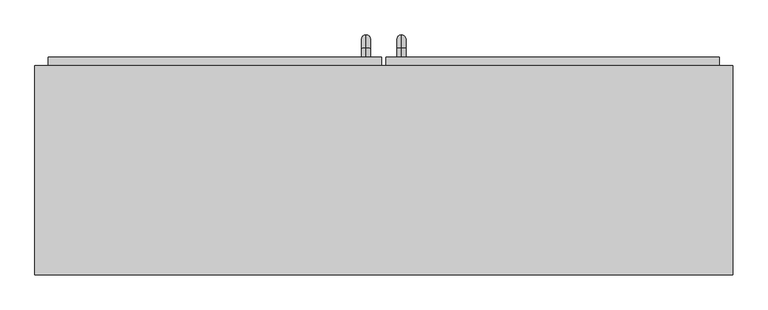
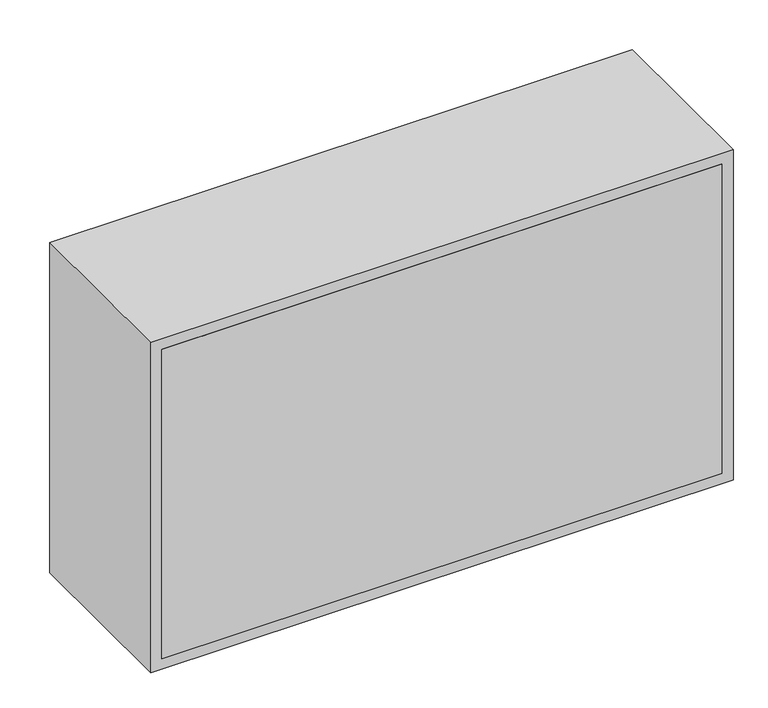
"""IFC4 building model written with IfcOpenShell, lengths in millimetres: furniture geometry."""

from ifc_helpers import new_model, si_unit, point, frame, origin, place, context, project, spatial, polyline, circle_curve, ellipse_curve, trimmed, outline, extrude, source, transform, mapped, element, save
from ifc_brep_helpers import plane_surface, cylinder_surface, revolved_surface, advanced_brep


def furniture_34211367(model_context):
    return source(origin(), model_context, "Body", "SolidModel", [
        advanced_brep(
        [(55.1711628, 385.2, 1546.05), (55.1711628, 385.2, 1558.75), (55.1711628, 397.9, 1546.05), (55.1711628, 397.9, 1558.75), (55.1711628, 416.95, 1539.7), (55.1711628, 404.25, 1539.7), (55.1711628, 404.25, 1463.5), (55.1711628, 416.95, 1463.5), (55.1711628, 397.9, 1444.45), (55.1711628, 397.9, 1457.15), (55.1711628, 385.2, 1457.15), (55.1711628, 385.2, 1444.45)],
        [
            (0, 1, circle_curve(frame((55.1711628, 385.2, 1552.4), z_axis=(0.0, -1.0, 0.0), x_axis=(0.0, 0.0, -1.0)), 6.35)),
            (1, 0, circle_curve(frame((55.1711628, 385.2, 1552.4), z_axis=(0.0, -1.0, 0.0), x_axis=(0.0, 0.0, -1.0)), 6.35)),
            (0, 2),
            (2, 3, circle_curve(frame((55.1711628, 397.9, 1552.4), z_axis=(0.0, -1.0, 0.0), x_axis=(0.0, 0.0, -1.0)), 6.35)),
            (3, 1),
            (3, 2, circle_curve(frame((55.1711628, 397.9, 1552.4), z_axis=(0.0, -1.0, 0.0), x_axis=(0.0, 0.0, -1.0)), 6.35)),
            (4, 3, circle_curve(frame((55.1711628, 397.9, 1539.7), z_axis=(1.0, 0.0, 0.0), x_axis=(0.0, 0.0, 1.0)), 19.05)),
            (2, 5, circle_curve(frame((55.1711628, 397.9, 1539.7), z_axis=(-1.0, 0.0, 0.0), x_axis=(0.0, 0.0, 1.0)), 6.35)),
            (5, 4, circle_curve(frame((55.1711628, 410.6, 1539.7), z_axis=(0.0, 0.0, 1.0), x_axis=(0.0, -1.0, 0.0)), 6.35)),
            (4, 5, circle_curve(frame((55.1711628, 410.6, 1539.7), z_axis=(0.0, 0.0, 1.0), x_axis=(0.0, -1.0, 0.0)), 6.35)),
            (5, 6),
            (6, 7, circle_curve(frame((55.1711628, 410.6, 1463.5), z_axis=(0.0, 0.0, 1.0), x_axis=(0.0, -1.0, 0.0)), 6.35)),
            (7, 4),
            (7, 6, circle_curve(frame((55.1711628, 410.6, 1463.5), z_axis=(0.0, 0.0, 1.0), x_axis=(0.0, -1.0, 0.0)), 6.35)),
            (8, 7, circle_curve(frame((55.1711628, 397.9, 1463.5), z_axis=(1.0, 0.0, 0.0), x_axis=(0.0, 1.0, 0.0)), 19.05)),
            (6, 9, circle_curve(frame((55.1711628, 397.9, 1463.5), z_axis=(-1.0, 0.0, 0.0), x_axis=(0.0, 1.0, 0.0)), 6.35)),
            (9, 8, circle_curve(frame((55.1711628, 397.9, 1450.8), z_axis=(0.0, 1.0, 0.0), x_axis=(0.0, 0.0, 1.0)), 6.35)),
            (8, 9, circle_curve(frame((55.1711628, 397.9, 1450.8), z_axis=(0.0, 1.0, 0.0), x_axis=(0.0, 0.0, 1.0)), 6.35)),
            (10, 11, circle_curve(frame((55.1711628, 385.2, 1450.8), z_axis=(0.0, -1.0, 0.0), x_axis=(0.0, 0.0, 1.0)), 6.35)),
            (11, 10, circle_curve(frame((55.1711628, 385.2, 1450.8), z_axis=(0.0, -1.0, 0.0), x_axis=(0.0, 0.0, 1.0)), 6.35)),
            (9, 10),
            (11, 8),
        ],
        [
            plane_surface(frame((48.8211628, 385.2, 1552.4), z_axis=(0.0, -1.0, 0.0), x_axis=(0.0, 0.0, 1.0))),
            cylinder_surface(frame((55.1711628, 385.2, 1552.4), z_axis=(0.0, -1.0, 0.0), x_axis=(0.0, 0.0, -1.0)), 6.35),
            revolved_surface(trimmed(ellipse_curve(frame((55.1711628, 397.9, 1552.4), z_axis=(0.0, -1.0, 0.0), x_axis=(0.0, 0.0, -1.0)), 6.35, 6.35), [point((55.1711628, 397.9, 1546.05))], [point((55.1711628, 397.9, 1558.75))], True, "CARTESIAN"), (55.1711628, 397.9, 1539.7), (-1.0, 0.0, 0.0)),
            revolved_surface(trimmed(ellipse_curve(frame((55.1711628, 397.9, 1552.4), z_axis=(0.0, -1.0, 0.0), x_axis=(0.0, 0.0, -1.0)), 6.35, 6.35), [point((55.1711628, 397.9, 1558.75))], [point((55.1711628, 397.9, 1546.05))], True, "CARTESIAN"), (55.1711628, 397.9, 1539.7), (-1.0, 0.0, 0.0)),
            cylinder_surface(frame((55.1711628, 410.6, 1539.7), z_axis=(0.0, 0.0, 1.0), x_axis=(0.0, -1.0, 0.0)), 6.35),
            revolved_surface(trimmed(ellipse_curve(frame((55.1711628, 410.6, 1463.5), z_axis=(0.0, 0.0, 1.0), x_axis=(0.0, -1.0, 0.0)), 6.35, 6.35), [point((55.1711628, 404.25, 1463.5))], [point((55.1711628, 416.95, 1463.5))], True, "CARTESIAN"), (55.1711628, 397.9, 1463.5), (-1.0, 0.0, 0.0)),
            revolved_surface(trimmed(ellipse_curve(frame((55.1711628, 410.6, 1463.5), z_axis=(0.0, 0.0, 1.0), x_axis=(0.0, -1.0, 0.0)), 6.35, 6.35), [point((55.1711628, 416.95, 1463.5))], [point((55.1711628, 404.25, 1463.5))], True, "CARTESIAN"), (55.1711628, 397.9, 1463.5), (-1.0, 0.0, 0.0)),
            plane_surface(frame((48.8211628, 385.2, 1450.8), z_axis=(0.0, -1.0, 0.0), x_axis=(0.0, 0.0, -1.0))),
            cylinder_surface(frame((55.1711628, 397.9, 1450.8), z_axis=(0.0, 1.0, 0.0), x_axis=(0.0, 0.0, 1.0)), 6.35),
        ],
        [
            (0, [[1, 2]]),
            (1, [[-1, 3, 4, 5]]),
            (1, [[-2, -5, 6, -3]]),
            (2, [[7, -4, 8, 9]]),
            (3, [[-8, -6, -7, 10]]),
            (4, [[-9, 11, 12, 13]]),
            (4, [[-10, -13, 14, -11]]),
            (5, [[15, -12, 16, 17]]),
            (6, [[-16, -14, -15, 18]]),
            (7, [[19, 20]]),
            (8, [[-17, 21, -20, 22]]),
            (8, [[-18, -22, -19, -21]]),
        ],
    ),
        advanced_brep(
        [(4.3711628, 385.2, 1546.05), (4.3711628, 385.2, 1558.75), (4.3711628, 397.9, 1546.05), (4.3711628, 397.9, 1558.75), (4.3711628, 416.95, 1539.7), (4.3711628, 404.25, 1539.7), (4.3711628, 404.25, 1463.5), (4.3711628, 416.95, 1463.5), (4.3711628, 397.9, 1444.45), (4.3711628, 397.9, 1457.15), (4.3711628, 385.2, 1457.15), (4.3711628, 385.2, 1444.45)],
        [
            (0, 1, circle_curve(frame((4.3711628, 385.2, 1552.4), z_axis=(0.0, -1.0, 0.0), x_axis=(0.0, 0.0, 1.0)), 6.35)),
            (1, 0, circle_curve(frame((4.3711628, 385.2, 1552.4), z_axis=(0.0, -1.0, 0.0), x_axis=(0.0, 0.0, 1.0)), 6.35)),
            (0, 2),
            (2, 3, circle_curve(frame((4.3711628, 397.9, 1552.4), z_axis=(0.0, -1.0, 0.0), x_axis=(0.0, 0.0, 1.0)), 6.35)),
            (3, 1),
            (3, 2, circle_curve(frame((4.3711628, 397.9, 1552.4), z_axis=(0.0, -1.0, 0.0), x_axis=(0.0, 0.0, 1.0)), 6.35)),
            (4, 3, circle_curve(frame((4.3711628, 397.9, 1539.7), z_axis=(1.0, 0.0, 0.0), x_axis=(0.0, 0.0, 1.0)), 19.05)),
            (2, 5, circle_curve(frame((4.3711628, 397.9, 1539.7), z_axis=(-1.0, 0.0, 0.0), x_axis=(0.0, 0.0, 1.0)), 6.35)),
            (5, 4, circle_curve(frame((4.3711628, 410.6, 1539.7), z_axis=(0.0, 0.0, 1.0), x_axis=(0.0, 1.0, 0.0)), 6.35)),
            (4, 5, circle_curve(frame((4.3711628, 410.6, 1539.7), z_axis=(0.0, 0.0, 1.0), x_axis=(0.0, 1.0, 0.0)), 6.35)),
            (5, 6),
            (6, 7, circle_curve(frame((4.3711628, 410.6, 1463.5), z_axis=(0.0, 0.0, 1.0), x_axis=(0.0, 1.0, 0.0)), 6.35)),
            (7, 4),
            (7, 6, circle_curve(frame((4.3711628, 410.6, 1463.5), z_axis=(0.0, 0.0, 1.0), x_axis=(0.0, 1.0, 0.0)), 6.35)),
            (8, 7, circle_curve(frame((4.3711628, 397.9, 1463.5), z_axis=(1.0, 0.0, 0.0), x_axis=(0.0, 1.0, 0.0)), 19.05)),
            (6, 9, circle_curve(frame((4.3711628, 397.9, 1463.5), z_axis=(-1.0, 0.0, 0.0), x_axis=(0.0, 1.0, 0.0)), 6.35)),
            (9, 8, circle_curve(frame((4.3711628, 397.9, 1450.8), z_axis=(0.0, 1.0, 0.0), x_axis=(0.0, 0.0, -1.0)), 6.35)),
            (8, 9, circle_curve(frame((4.3711628, 397.9, 1450.8), z_axis=(0.0, 1.0, 0.0), x_axis=(0.0, 0.0, -1.0)), 6.35)),
            (10, 11, circle_curve(frame((4.3711628, 385.2, 1450.8), z_axis=(0.0, -1.0, 0.0), x_axis=(0.0, 0.0, -1.0)), 6.35)),
            (11, 10, circle_curve(frame((4.3711628, 385.2, 1450.8), z_axis=(0.0, -1.0, 0.0), x_axis=(0.0, 0.0, -1.0)), 6.35)),
            (9, 10),
            (11, 8),
        ],
        [
            plane_surface(frame((-1.9788372, 385.2, 1552.4), z_axis=(0.0, -1.0, 0.0), x_axis=(0.0, 0.0, 1.0))),
            cylinder_surface(frame((4.3711628, 385.2, 1552.4), z_axis=(0.0, -1.0, 0.0), x_axis=(0.0, 0.0, 1.0)), 6.35),
            revolved_surface(trimmed(ellipse_curve(frame((4.3711628, 397.9, 1552.4), z_axis=(0.0, -1.0, 0.0), x_axis=(0.0, 0.0, 1.0)), 6.35, 6.35), [point((4.3711628, 397.9, 1546.05))], [point((4.3711628, 397.9, 1558.75))], True, "CARTESIAN"), (4.3711628, 397.9, 1539.7), (-1.0, 0.0, 0.0)),
            revolved_surface(trimmed(ellipse_curve(frame((4.3711628, 397.9, 1552.4), z_axis=(0.0, -1.0, 0.0), x_axis=(0.0, 0.0, 1.0)), 6.35, 6.35), [point((4.3711628, 397.9, 1558.75))], [point((4.3711628, 397.9, 1546.05))], True, "CARTESIAN"), (4.3711628, 397.9, 1539.7), (-1.0, 0.0, 0.0)),
            cylinder_surface(frame((4.3711628, 410.6, 1539.7), z_axis=(0.0, 0.0, 1.0), x_axis=(0.0, 1.0, 0.0)), 6.35),
            revolved_surface(trimmed(ellipse_curve(frame((4.3711628, 410.6, 1463.5), z_axis=(0.0, 0.0, 1.0), x_axis=(0.0, 1.0, 0.0)), 6.35, 6.35), [point((4.3711628, 404.25, 1463.5))], [point((4.3711628, 416.95, 1463.5))], True, "CARTESIAN"), (4.3711628, 397.9, 1463.5), (-1.0, 0.0, 0.0)),
            revolved_surface(trimmed(ellipse_curve(frame((4.3711628, 410.6, 1463.5), z_axis=(0.0, 0.0, 1.0), x_axis=(0.0, 1.0, 0.0)), 6.35, 6.35), [point((4.3711628, 416.95, 1463.5))], [point((4.3711628, 404.25, 1463.5))], True, "CARTESIAN"), (4.3711628, 397.9, 1463.5), (-1.0, 0.0, 0.0)),
            plane_surface(frame((-1.9788372, 385.2, 1450.8), z_axis=(0.0, -1.0, 0.0), x_axis=(0.0, 0.0, -1.0))),
            cylinder_surface(frame((4.3711628, 397.9, 1450.8), z_axis=(0.0, 1.0, 0.0), x_axis=(0.0, 0.0, -1.0)), 6.35),
        ],
        [
            (0, [[1, 2]]),
            (1, [[-1, 3, 4, 5]]),
            (1, [[-2, -5, 6, -3]]),
            (2, [[7, -4, 8, 9]]),
            (3, [[-8, -6, -7, 10]]),
            (4, [[-9, 11, 12, 13]]),
            (4, [[-10, -13, 14, -11]]),
            (5, [[15, -12, 16, 17]]),
            (6, [[-16, -14, -15, 18]]),
            (7, [[19, 20]]),
            (8, [[-17, 21, -20, 22]]),
            (8, [[-18, -22, -19, -21]]),
        ],
    ),
        extrude(outline(polyline([(32.9461628, 385.2), (510.7211628, 385.2), (510.7211628, 353.45), (32.9461628, 353.45), (32.9461628, 385.2)])), frame((0.0, 0.0, 1419.05), z_axis=(0.0, 0.0, 1.0), x_axis=(1.0, 0.0, 0.0)), (0.0, 0.0, 1.0), 561.9),
        extrude(outline(polyline([(-451.1788372, 385.2), (26.5961628, 385.2), (26.5961628, 353.45), (-451.1788372, 353.45), (-451.1788372, 385.2)])), frame((0.0, 0.0, 1419.05), z_axis=(0.0, 0.0, 1.0), x_axis=(1.0, 0.0, 0.0)), (0.0, 0.0, 1.0), 561.9),
        extrude(outline(polyline([(510.7211628, 72.5), (-451.1788372, 72.5), (-451.1788372, 91.55), (510.7211628, 91.55), (510.7211628, 72.5)])), frame((0.0, 0.0, 1419.05), z_axis=(0.0, 0.0, 1.0), x_axis=(1.0, 0.0, 0.0)), (0.0, 0.0, 1.0), 561.9),
        extrude(outline(polyline([(2000.0, -470.2288372), (1400.0, -470.2288372), (1400.0, 529.7711628), (2000.0, 529.7711628), (2000.0, -470.2288372)]), holes=[polyline([(1980.95, -451.1788372), (1980.95, 510.7211628), (1419.05, 510.7211628), (1419.05, -451.1788372), (1980.95, -451.1788372)])]), frame((0.0, 72.5, 0.0), z_axis=(0.0, 1.0, 0.0), x_axis=(0.0, 0.0, 1.0)), (0.0, 0.0, 1.0), 300.0),
    ])


if __name__ == "__main__":
    model = new_model("IFC4")
    model_context = context("Model", 3, world=origin())
    ifc_project = project(units=[si_unit("LENGTHUNIT", "METRE", prefix="MILLI")], contexts=[model_context])
    site = spatial("IfcSite", under=ifc_project)
    building = spatial("IfcBuilding", under=site)
    placement = place(None, origin())
    furniture_shape = furniture_34211367(model_context)
    element("IfcFurniture", 1, at=placement, inside=building, context=model_context, shape_type="MappedRepresentation", body=[
        mapped(furniture_shape, transform((0.0, 0.0, 0.0), x_axis=(1.0, 0.0, 0.0), y_axis=(0.0, 1.0, 0.0), z_axis=(0.0, 0.0, 1.0))),
    ])
    save(model, "model.ifc")
